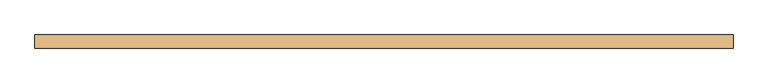
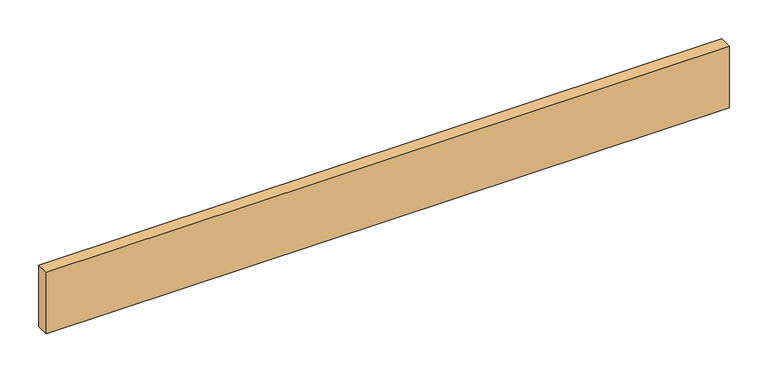
"""IFC4 building model written with IfcOpenShell, lengths in millimetres: door geometry."""

from ifc_helpers import new_model, si_unit, origin, origin_with_axes, place, context, project, spatial, polyline, outline, extrude, source, transform, mapped, element, save


def door_92d79ac3(model_context):
    return source(origin(), model_context, "Body", "SweptSolid", [
        extrude(outline(polyline([(506.1204, 0.0), (-506.1204, 0.0), (-506.1204, 19.05), (506.1204, 19.05), (506.1204, 0.0)])), origin_with_axes(), (0.0, 0.0, 1.0), 96.52),
    ])


if __name__ == "__main__":
    model = new_model("IFC4")
    model_context = context("Model", 3, world=origin())
    ifc_project = project(units=[si_unit("LENGTHUNIT", "METRE", prefix="MILLI")], contexts=[model_context])
    site = spatial("IfcSite", under=ifc_project)
    building = spatial("IfcBuilding", under=site)
    placement = place(None, origin())
    door_shape = door_92d79ac3(model_context)
    element("IfcDoor", 1, at=placement, inside=building, context=model_context, shape_type="MappedRepresentation", body=[
        mapped(door_shape, transform((0.0, 0.0, 0.0), x_axis=(1.0, 0.0, 0.0), y_axis=(0.0, 1.0, 0.0), z_axis=(0.0, 0.0, 1.0))),
    ])
    save(model, "model.ifc")
